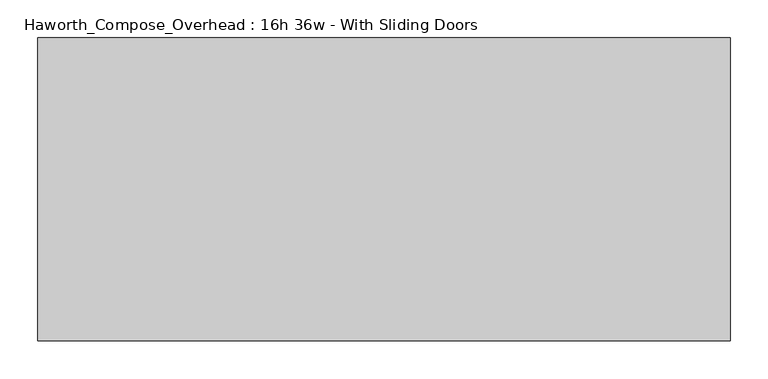
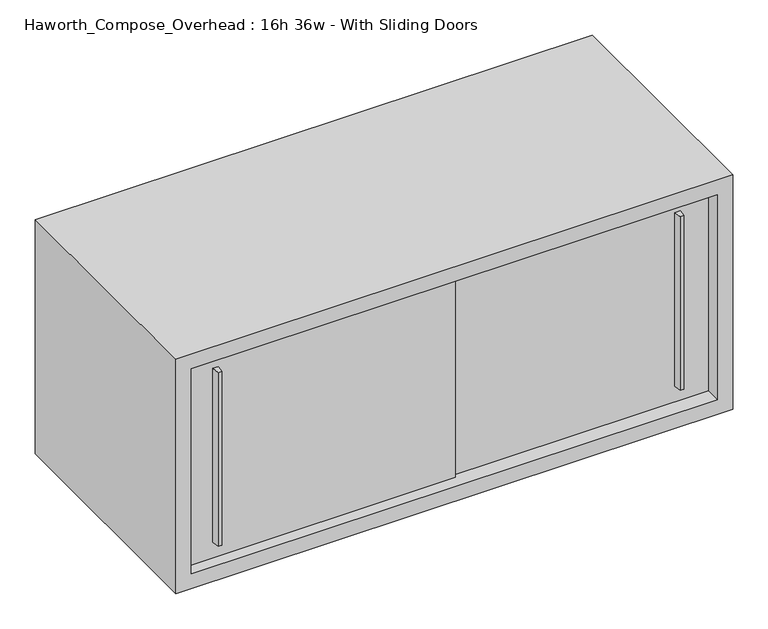
"""IFC4 building model written with IfcOpenShell, lengths in millimetres: furniture geometry, Haworth_Compose_Overhead : 16h 36w - With Sliding Doors."""

from ifc_helpers import new_model, si_unit, frame, origin, place, context, project, spatial, polyline, outline, extrude, source, transform, mapped, element, save


def haworth_compose_overhead_16h_36w_with_sliding_doors_5b637ace(model_context):
    return source(origin(), model_context, "Body", "SweptSolid", [
        extrude(outline(polyline([(549.2750004, -387.3499879), (542.9249996, -387.3499879), (541.3375011, -374.65), (550.8624989, -374.65), (549.2750004, -387.3499879)])), frame((0.0, 0.0, 1322.3875), z_axis=(0.0, 0.0, 1.0), x_axis=(1.0, 0.0, 0.0)), (0.0, 0.0, 1.0), 301.625),
        extrude(outline(polyline([(-212.7249996, -393.6999879), (-219.0750004, -393.6999879), (-220.6624989, -381.0), (-211.1375011, -381.0), (-212.7249996, -393.6999879)])), frame((0.0, 0.0, 1322.3875), z_axis=(0.0, 0.0, 1.0), x_axis=(1.0, 0.0, 0.0)), (0.0, 0.0, 1.0), 301.625),
        extrude(outline(polyline([(-266.7, -374.65), (177.8, -374.65), (177.8, -381.0), (-266.7, -381.0), (-266.7, -374.65)])), frame((0.0, 0.0, 1295.4), z_axis=(0.0, 0.0, 1.0), x_axis=(1.0, 0.0, 0.0)), (0.0, 0.0, 1.0), 355.6),
        extrude(outline(polyline([(152.4, -368.3), (596.9, -368.3), (596.9, -374.65), (152.4, -374.65), (152.4, -368.3)])), frame((0.0, 0.0, 1295.4), z_axis=(0.0, 0.0, 1.0), x_axis=(1.0, 0.0, 0.0)), (0.0, 0.0, 1.0), 355.6),
        extrude(outline(polyline([(596.9, -6.35), (-266.7, -6.35), (-266.7, 0.0), (596.9, 0.0), (596.9, -6.35)])), frame((0.0, 0.0, 1295.4), z_axis=(0.0, 0.0, 1.0), x_axis=(1.0, 0.0, 0.0)), (0.0, 0.0, 1.0), 355.6),
        extrude(outline(polyline([(1270.0, 622.3), (1676.4, 622.3), (1676.4, -292.1), (1270.0, -292.1), (1270.0, 622.3)]), holes=[polyline([(1651.0, 596.9), (1295.4, 596.9), (1295.4, -266.7), (1651.0, -266.7), (1651.0, 596.9)])]), frame((0.0, -400.05, 0.0), z_axis=(0.0, 1.0, 0.0), x_axis=(0.0, 0.0, 1.0)), (0.0, 0.0, 1.0), 400.05),
    ])


if __name__ == "__main__":
    model = new_model("IFC4")
    model_context = context("Model", 3, world=origin())
    ifc_project = project(units=[si_unit("LENGTHUNIT", "METRE", prefix="MILLI")], contexts=[model_context])
    site = spatial("IfcSite", under=ifc_project)
    building = spatial("IfcBuilding", under=site)
    placement = place(None, origin())
    haworth_compose_overhead_16h_36w_with_sliding_doors_shape = haworth_compose_overhead_16h_36w_with_sliding_doors_5b637ace(model_context)
    element("IfcFurniture", 1, ObjectType="Haworth_Compose_Overhead : 16h 36w - With Sliding Doors", at=placement, inside=building, context=model_context, shape_type="MappedRepresentation", body=[
        mapped(haworth_compose_overhead_16h_36w_with_sliding_doors_shape, transform((0.0, 0.0, 0.0), x_axis=(1.0, 0.0, 0.0), y_axis=(0.0, 1.0, 0.0), z_axis=(0.0, 0.0, 1.0))),
    ])
    save(model, "model.ifc")
